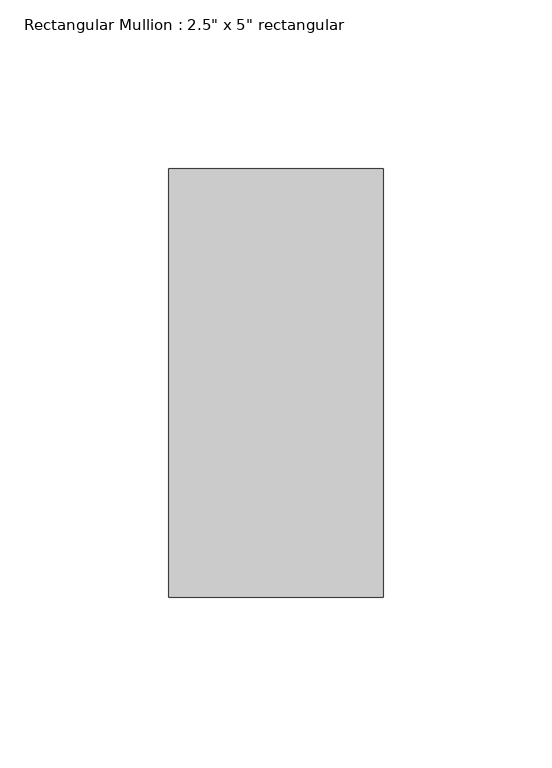
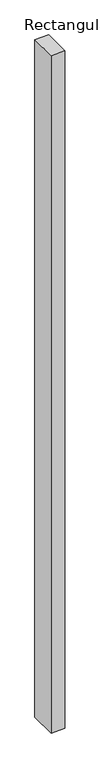
"""IFC4 building model written with IfcOpenShell, lengths in millimetres: member geometry."""

from ifc_helpers import new_model, si_unit, frame, origin, place, context, project, spatial, polyline, outline, extrude, source, transform, mapped, element, save


def member_0300de74(model_context):
    return source(origin(), model_context, "Body", "SweptSolid", [
        extrude(outline(polyline([(0.0, 63.5), (0.0, -63.5), (-63.5, -63.5), (-63.5, 63.5), (0.0, 63.5)])), frame((0.0, 0.0, -3258.8259539), z_axis=(0.0, 0.0, 1.0), x_axis=(1.0, 0.0, 0.0)), (0.0, 0.0, 1.0), 3258.8259539),
    ])


if __name__ == "__main__":
    model = new_model("IFC4")
    model_context = context("Model", 3, world=origin())
    ifc_project = project(units=[si_unit("LENGTHUNIT", "METRE", prefix="MILLI")], contexts=[model_context])
    site = spatial("IfcSite", under=ifc_project)
    building = spatial("IfcBuilding", under=site)
    placement = place(None, origin())
    member_shape = member_0300de74(model_context)
    element("IfcMember", 1, ObjectType="Rectangular Mullion : 2.5\" x 5\" rectangular", at=placement, inside=building, context=model_context, shape_type="MappedRepresentation", body=[
        mapped(member_shape, transform((0.0, 0.0, 0.0), x_axis=(1.0, 0.0, 0.0), y_axis=(0.0, 1.0, 0.0), z_axis=(0.0, 0.0, 1.0))),
    ])
    save(model, "model.ifc")
